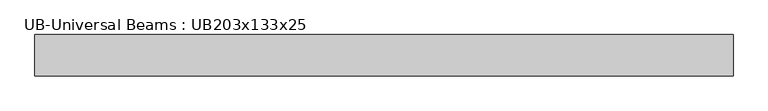
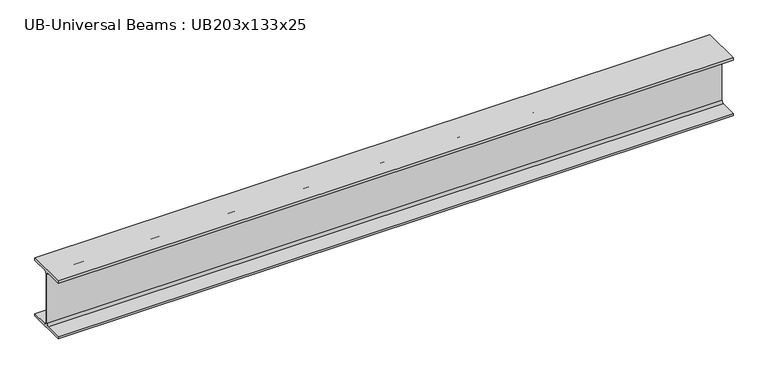
"""IFC4 building model written with IfcOpenShell, lengths in millimetres: beam geometry, UB-Universal Beams : UB203x133x25."""

from ifc_helpers import new_model, si_unit, point, frame, frame_2d, origin, place, context, project, spatial, polyline, circle_curve, trimmed, segment, composite_curve, outline, extrude, source, transform, mapped, element, save


def ub_universal_beams_ub203x133x25_b8132259(model_context):
    return source(origin(), model_context, "Body", "SweptSolid", [
        extrude(outline(composite_curve([segment(polyline([(66.6, -93.8), (66.6, -101.6), (-66.6, -101.6), (-66.6, -93.8), (-10.45, -93.8)]), True, "CONTINUOUS"), segment(trimmed(circle_curve(frame_2d((-10.45, -86.2)), 7.6), [point((-10.45, -93.8))], [point((-2.85, -86.2))], True, "CARTESIAN"), True, "CONTINUOUS"), segment(polyline([(-2.85, -86.2), (-2.85, 86.2)]), True, "CONTINUOUS"), segment(trimmed(circle_curve(frame_2d((-10.45, 86.2)), 7.6), [point((-2.85, 86.2))], [point((-10.45, 93.8))], True, "CARTESIAN"), True, "CONTINUOUS"), segment(polyline([(-10.45, 93.8), (-66.6, 93.8), (-66.6, 101.6), (66.6, 101.6), (66.6, 93.8), (10.45, 93.8)]), True, "CONTINUOUS"), segment(trimmed(circle_curve(frame_2d((10.45, 86.2)), 7.6), [point((10.45, 93.8))], [point((2.85, 86.2))], True, "CARTESIAN"), True, "CONTINUOUS"), segment(polyline([(2.85, 86.2), (2.85, -86.2)]), True, "CONTINUOUS"), segment(trimmed(circle_curve(frame_2d((10.45, -86.2)), 7.6), [point((2.85, -86.2))], [point((10.45, -93.8))], True, "CARTESIAN"), True, "CONTINUOUS"), segment(polyline([(10.45, -93.8), (66.6, -93.8)]), True, "CONTINUOUS")], self_intersect=False)), frame((-1119.5, 0.0, 0.0), z_axis=(1.0, 0.0, 0.0), x_axis=(0.0, 1.0, 0.0)), (0.0, 0.0, 1.0), 2239.0),
    ])


if __name__ == "__main__":
    model = new_model("IFC4")
    model_context = context("Model", 3, world=origin())
    ifc_project = project(units=[si_unit("LENGTHUNIT", "METRE", prefix="MILLI")], contexts=[model_context])
    site = spatial("IfcSite", under=ifc_project)
    building = spatial("IfcBuilding", under=site)
    placement = place(None, origin())
    ub_universal_beams_ub203x133x25_shape = ub_universal_beams_ub203x133x25_b8132259(model_context)
    element("IfcBeam", 1, ObjectType="UB-Universal Beams : UB203x133x25", at=placement, inside=building, context=model_context, shape_type="MappedRepresentation", body=[
        mapped(ub_universal_beams_ub203x133x25_shape, transform((0.0, 0.0, 0.0), x_axis=(1.0, 0.0, 0.0), y_axis=(0.0, 1.0, 0.0), z_axis=(0.0, 0.0, 1.0))),
    ])
    save(model, "model.ifc")
